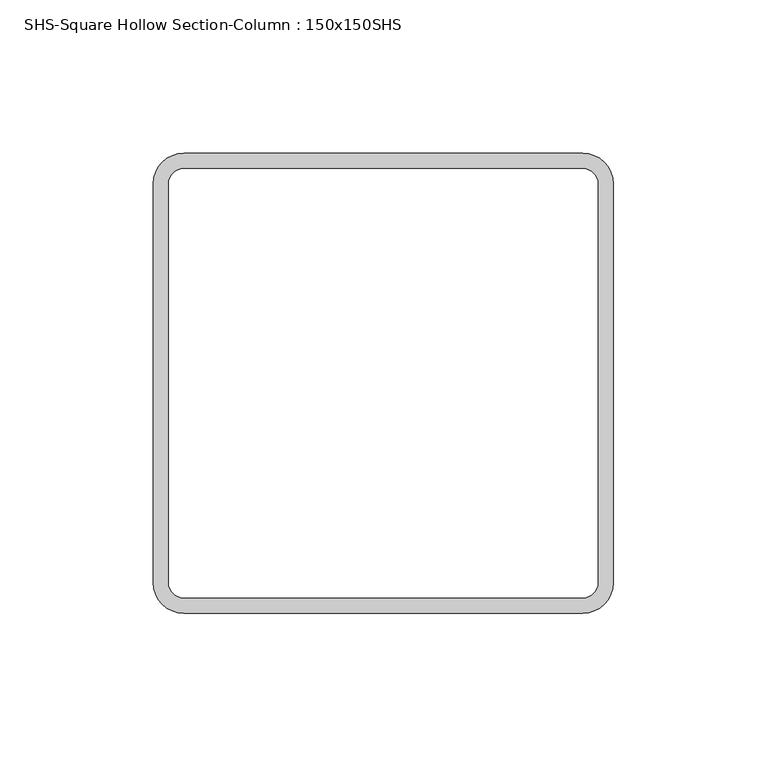
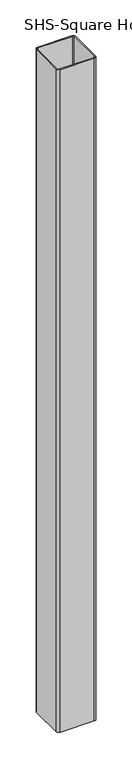
"""IFC4 building model written with IfcOpenShell, lengths in millimetres: column geometry, SHS-Square Hollow Section-Column : 150x150SHS."""

import ifcopenshell
import ifcopenshell.guid

model = None  # the IFC model being written
_history = None  # IfcOwnerHistory: only IFC2X3 demands one
_inside = {}  # id of a spatial element -> (the spatial element, [elements in it])
_under = {}  # id of a project, library or spatial element -> (it, [spatial elements below it])
_declared = {}  # id of a project -> (the project, [libraries it declares])
_typed = {}  # id of a type object -> (the type object, [elements of that type])
_made_of = {}  # id of a material, layer set ... -> (it, [elements and type objects made of it])


def new_model(schema):
    """Start an empty IFC model of exactly this schema.

    Asked for "IFC4X3", IfcOpenShell would pick the latest addendum, in which some entities
    have other attributes; the version numbers below select the first issue.
    IFC2X3 requires an IfcOwnerHistory on every rooted entity: one is made here for all.
    """
    global model, _history
    if schema == "IFC4X3":
        model = ifcopenshell.file(schema_version=(4, 3, 0, 0))
    else:
        model = ifcopenshell.file(schema=schema)
    _inside.clear()
    _under.clear()
    _declared.clear()
    _typed.clear()
    _made_of.clear()
    _history = None
    if model.schema == "IFC2X3":
        org = make("IfcOrganization", Name="unknown")
        user = make(
            "IfcPersonAndOrganization",
            ThePerson=make("IfcPerson", FamilyName="unknown"),
            TheOrganization=org,
        )
        app = make(
            "IfcApplication",
            ApplicationDeveloper=org,
            Version="unknown",
            ApplicationFullName="unknown",
            ApplicationIdentifier="unknown",
        )
        _history = make(
            "IfcOwnerHistory",
            OwningUser=user,
            OwningApplication=app,
            ChangeAction="ADDED",
            CreationDate=0,
        )
    return model


def make(cls, **values):
    """One entity of the class cls with the attributes given. An attribute that is None is left unset."""
    return model.create_entity(
        cls, **{name: value for name, value in values.items() if value is not None}
    )


def rooted(cls, **values):
    """An entity with a GlobalId (a new one), such as an element, a storey or a relation."""
    return make(cls, GlobalId=ifcopenshell.guid.new(), OwnerHistory=_history, **values)


def si_unit(unit_type, name, prefix=None):
    """IfcSIUnit, for example si_unit("LENGTHUNIT", "METRE", prefix="MILLI")."""
    return make("IfcSIUnit", UnitType=unit_type, Prefix=prefix, Name=name)


def assignment(units):
    """IfcUnitAssignment: the units of a project."""
    return None if units is None else make("IfcUnitAssignment", Units=units)


def point(xyz):
    """IfcCartesianPoint."""
    return None if xyz is None else make("IfcCartesianPoint", Coordinates=xyz)


def direction(xyz):
    """IfcDirection."""
    return None if xyz is None else make("IfcDirection", DirectionRatios=xyz)


def frame(location, z_axis=None, x_axis=None):
    """IfcAxis2Placement3D, a coordinate frame: its origin and axes. An axis left out is left unset."""
    return make(
        "IfcAxis2Placement3D",
        Location=point(location),
        Axis=direction(z_axis),
        RefDirection=direction(x_axis),
    )


def frame_2d(location, x_axis=None):
    """IfcAxis2Placement2D, a coordinate frame in the plane: its origin and x axis."""
    return make(
        "IfcAxis2Placement2D", Location=point(location), RefDirection=direction(x_axis)
    )


def origin():
    """The frame at (0, 0, 0) with its axes left unset."""
    return frame((0.0, 0.0, 0.0))


def place(relative_to, where):
    """IfcLocalPlacement: puts the frame where relative to a parent placement (None: the world)."""
    return make(
        "IfcLocalPlacement", PlacementRelTo=relative_to, RelativePlacement=where
    )


def context(
    kind, dimensions, precision=None, world=None, true_north=None, identifier=None
):
    """IfcGeometricRepresentationContext, for example the 3D "Model" context."""
    return make(
        "IfcGeometricRepresentationContext",
        ContextIdentifier=identifier,
        ContextType=kind,
        CoordinateSpaceDimension=dimensions,
        Precision=precision,
        WorldCoordinateSystem=world,
        TrueNorth=true_north,
    )


def project(units=None, contexts=None):
    """IfcProject with its units and contexts."""
    return rooted(
        "IfcProject",
        Name="project",
        RepresentationContexts=contexts,
        UnitsInContext=assignment(units),
    )


def spatial(cls, under=None, at=None, **own):
    """A site, building, storey or space (cls), placed at a placement, below another one or the project."""
    s = rooted(cls, ObjectPlacement=at, **own)
    if under is not None:
        _under.setdefault(under.id(), (under, []))[1].append(s)
    return s


def polyline(points):
    """IfcPolyline through the points."""
    return make("IfcPolyline", Points=[point(p) for p in points])


def circle_curve(where, radius):
    """IfcCircle in the frame where."""
    return make("IfcCircle", Position=where, Radius=radius)


def trimmed(basis, trim1, trim2, sense, master):
    """IfcTrimmedCurve: the piece of a basis curve between two trims."""
    return make(
        "IfcTrimmedCurve",
        BasisCurve=basis,
        Trim1=trim1,
        Trim2=trim2,
        SenseAgreement=sense,
        MasterRepresentation=master,
    )


def segment(curve, same_sense, transition):
    """IfcCompositeCurveSegment."""
    return make(
        "IfcCompositeCurveSegment",
        Transition=transition,
        SameSense=same_sense,
        ParentCurve=curve,
    )


def composite_curve(segments, self_intersect=None):
    """IfcCompositeCurve: segments joined end to end."""
    return make("IfcCompositeCurve", Segments=segments, SelfIntersect=self_intersect)


def outline(outer, holes=None, kind="AREA"):
    """IfcArbitraryClosedProfileDef: a profile drawn as a closed curve; with holes, ...WithVoids."""
    if holes is None:
        return make("IfcArbitraryClosedProfileDef", ProfileType=kind, OuterCurve=outer)
    return make(
        "IfcArbitraryProfileDefWithVoids",
        ProfileType=kind,
        OuterCurve=outer,
        InnerCurves=holes,
    )


def extrude(swept, where, along, depth):
    """IfcExtrudedAreaSolid: the profile swept, set in the frame where, extruded along a direction by depth."""
    return make(
        "IfcExtrudedAreaSolid",
        SweptArea=swept,
        Position=where,
        ExtrudedDirection=direction(along),
        Depth=depth,
    )


def shape(context_of_items, identifier, shape_type, items):
    """IfcShapeRepresentation: the items that make up one representation, for example the "Body"."""
    return make(
        "IfcShapeRepresentation",
        ContextOfItems=context_of_items,
        RepresentationIdentifier=identifier,
        RepresentationType=shape_type,
        Items=items,
    )


def source(mapping_origin, context_of_items, identifier, shape_type, items):
    """IfcRepresentationMap: a shape defined once, which mapped items show again and again."""
    return make(
        "IfcRepresentationMap",
        MappingOrigin=mapping_origin,
        MappedRepresentation=shape(context_of_items, identifier, shape_type, items),
    )


def transform(
    local_origin,
    x_axis=None,
    y_axis=None,
    z_axis=None,
    scale=None,
    scale2=None,
    scale3=None,
    uniform=True,
):
    """IfcCartesianTransformationOperator3D, or its non-uniform kind. x_axis, y_axis, z_axis: its Axis1, 2, 3."""
    if uniform:
        return make(
            "IfcCartesianTransformationOperator3D",
            Axis1=direction(x_axis),
            Axis2=direction(y_axis),
            LocalOrigin=point(local_origin),
            Scale=scale,
            Axis3=direction(z_axis),
        )
    return make(
        "IfcCartesianTransformationOperator3DnonUniform",
        Axis1=direction(x_axis),
        Axis2=direction(y_axis),
        LocalOrigin=point(local_origin),
        Scale=scale,
        Axis3=direction(z_axis),
        Scale2=scale2,
        Scale3=scale3,
    )


def mapped(mapping_source, mapping_target):
    """IfcMappedItem: shows the shape of a source again, moved by a transform."""
    return make(
        "IfcMappedItem", MappingSource=mapping_source, MappingTarget=mapping_target
    )


def made_of(thing, what):
    """Note that an element or type object is made of a material, layer set ...; save() writes the relation."""
    if what is not None:
        _made_of.setdefault(what.id(), (what, []))[1].append(thing)
    return thing


def element(
    cls,
    number,
    at=None,
    inside=None,
    cuts=None,
    type_object=None,
    material=None,
    context=None,
    identifier="Body",
    shape_type=None,
    held_by="IfcProductDefinitionShape",
    body=None,
    shapes=None,
    **own,
):
    """One element of the class cls, such as IfcWall. Its Tag is "e" and its number.

    at: its placement. inside: the storey or other place that contains it. cuts: it is an
    opening in that element (IfcRelVoidsElement). A single representation is given by context,
    identifier, shape_type and body (its items); several are given by shapes. held_by: the class
    of the entity that holds the representations. save() writes the other relations.
    """
    e = rooted(cls, Tag="e%d" % number, ObjectPlacement=at, **own)
    if body is not None:
        shapes = [shape(context, identifier, shape_type, body)]
    if shapes is not None:
        e.Representation = make(held_by, Representations=shapes)
    if inside is not None:
        _inside.setdefault(inside.id(), (inside, []))[1].append(e)
    if cuts is not None:
        rooted(
            "IfcRelVoidsElement", RelatingBuildingElement=cuts, RelatedOpeningElement=e
        )
    if type_object is not None:
        _typed.setdefault(type_object.id(), (type_object, []))[1].append(e)
    return made_of(e, material)


def aggregate(whole, parts):
    """IfcRelAggregates: a whole, such as a stair, and the parts it consists of."""
    return rooted("IfcRelAggregates", RelatingObject=whole, RelatedObjects=parts)


def save(model, path):
    """Write the relations noted so far, then the file.

    IfcRelAggregates (storeys below a building ...), IfcRelContainedInSpatialStructure (elements
    in a storey), IfcRelDefinesByType, IfcRelAssociatesMaterial and IfcRelDeclares: one each for
    every whole, place, type object, material and project.
    """
    for whole, parts in _under.values():
        aggregate(whole, parts)
    for where, things in _inside.values():
        rooted(
            "IfcRelContainedInSpatialStructure",
            RelatedElements=things,
            RelatingStructure=where,
        )
    for kind, things in _typed.values():
        rooted("IfcRelDefinesByType", RelatedObjects=things, RelatingType=kind)
    for what, things in _made_of.values():
        rooted("IfcRelAssociatesMaterial", RelatedObjects=things, RelatingMaterial=what)
    for by, libraries in _declared.values():
        rooted("IfcRelDeclares", RelatingContext=by, RelatedDefinitions=libraries)
    model.write(path)


def shs_square_hollow_section_column_150x150shs_496c22a1(model_context):
    return source(origin(), model_context, "Body", "SweptSolid", [
        extrude(outline(composite_curve([segment(trimmed(circle_curve(frame_2d((65.0, 65.0)), 10.0), [point((65.0, 75.0))], [point((75.0, 65.0))], False, "CARTESIAN"), True, "CONTINUOUS"), segment(polyline([(75.0, 65.0), (75.0, -65.0)]), True, "CONTINUOUS"), segment(trimmed(circle_curve(frame_2d((65.0, -65.0)), 10.0), [point((75.0, -65.0))], [point((65.0, -75.0))], False, "CARTESIAN"), True, "CONTINUOUS"), segment(polyline([(65.0, -75.0), (-65.0, -75.0)]), True, "CONTINUOUS"), segment(trimmed(circle_curve(frame_2d((-65.0, -65.0)), 10.0), [point((-65.0, -75.0))], [point((-75.0, -65.0))], False, "CARTESIAN"), True, "CONTINUOUS"), segment(polyline([(-75.0, -65.0), (-75.0, 65.0)]), True, "CONTINUOUS"), segment(trimmed(circle_curve(frame_2d((-65.0, 65.0)), 10.0), [point((-75.0, 65.0))], [point((-65.0, 75.0))], False, "CARTESIAN"), True, "CONTINUOUS"), segment(polyline([(-65.0, 75.0), (65.0, 75.0)]), True, "CONTINUOUS")], self_intersect=False), holes=[composite_curve([segment(polyline([(65.0, 70.0), (-65.0, 70.0)]), True, "CONTINUOUS"), segment(trimmed(circle_curve(frame_2d((-65.0, 65.0)), 5.0), [point((-65.0, 70.0))], [point((-70.0, 65.0))], True, "CARTESIAN"), True, "CONTINUOUS"), segment(polyline([(-70.0, 65.0), (-70.0, -65.0)]), True, "CONTINUOUS"), segment(trimmed(circle_curve(frame_2d((-65.0, -65.0)), 5.0), [point((-70.0, -65.0))], [point((-65.0, -70.0))], True, "CARTESIAN"), True, "CONTINUOUS"), segment(polyline([(-65.0, -70.0), (65.0, -70.0)]), True, "CONTINUOUS"), segment(trimmed(circle_curve(frame_2d((65.0, -65.0)), 5.0), [point((65.0, -70.0))], [point((70.0, -65.0))], True, "CARTESIAN"), True, "CONTINUOUS"), segment(polyline([(70.0, -65.0), (70.0, 65.0)]), True, "CONTINUOUS"), segment(trimmed(circle_curve(frame_2d((65.0, 65.0)), 5.0), [point((70.0, 65.0))], [point((65.0, 70.0))], True, "CARTESIAN"), True, "CONTINUOUS")], self_intersect=False)]), frame((0.0, 0.0, -100.0), z_axis=(0.0, 0.0, 1.0), x_axis=(1.0, 0.0, 0.0)), (0.0, 0.0, 1.0), 2670.0),
    ])


if __name__ == "__main__":
    model = new_model("IFC4")
    model_context = context("Model", 3, world=origin())
    ifc_project = project(units=[si_unit("LENGTHUNIT", "METRE", prefix="MILLI")], contexts=[model_context])
    site = spatial("IfcSite", under=ifc_project)
    building = spatial("IfcBuilding", under=site)
    placement = place(None, origin())
    shs_square_hollow_section_column_150x150shs_shape = shs_square_hollow_section_column_150x150shs_496c22a1(model_context)
    element("IfcColumn", 1, ObjectType="SHS-Square Hollow Section-Column : 150x150SHS", at=placement, inside=building, context=model_context, shape_type="MappedRepresentation", body=[
        mapped(shs_square_hollow_section_column_150x150shs_shape, transform((0.0, 0.0, 0.0), x_axis=(1.0, 0.0, 0.0), y_axis=(0.0, 1.0, 0.0), z_axis=(0.0, 0.0, 1.0))),
    ])
    save(model, "model.ifc")
